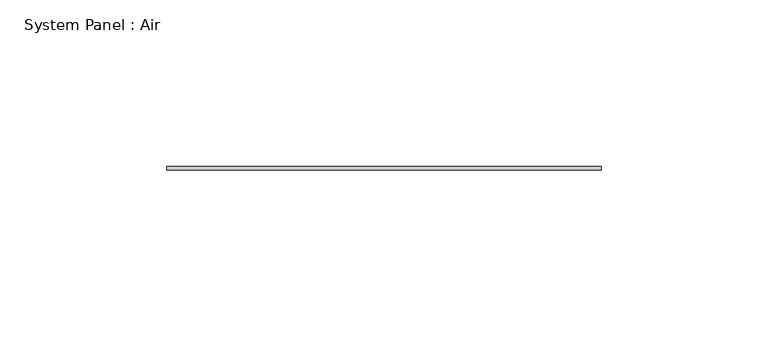
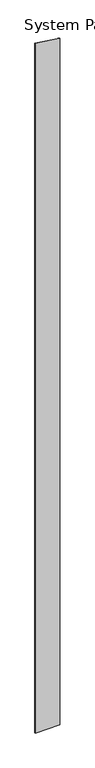
"""IFC4 building model written with IfcOpenShell, lengths in millimetres: plate geometry, System Panel : Air."""

from ifc_helpers import new_model, si_unit, frame, origin, place, context, project, spatial, polyline, outline, extrude, source, transform, mapped, element, save


def system_panel_air_2874334a(model_context):
    return source(origin(), model_context, "Body", "SweptSolid", [
        extrude(outline(polyline([(0.0, -65.0), (0.0, 65.0), (3808.0791987, 65.0), (3827.3347266, -65.0), (0.0, -65.0)])), frame((0.0, 36.5, 0.0), z_axis=(0.0, 1.0, 0.0), x_axis=(0.0, 0.0, 1.0)), (0.0, 0.0, 1.0), 1.0),
    ])


if __name__ == "__main__":
    model = new_model("IFC4")
    model_context = context("Model", 3, world=origin())
    ifc_project = project(units=[si_unit("LENGTHUNIT", "METRE", prefix="MILLI")], contexts=[model_context])
    site = spatial("IfcSite", under=ifc_project)
    building = spatial("IfcBuilding", under=site)
    placement = place(None, origin())
    system_panel_air_shape = system_panel_air_2874334a(model_context)
    element("IfcPlate", 1, ObjectType="System Panel : Air", at=placement, inside=building, context=model_context, shape_type="MappedRepresentation", body=[
        mapped(system_panel_air_shape, transform((0.0, 0.0, 0.0), x_axis=(1.0, 0.0, 0.0), y_axis=(0.0, 1.0, 0.0), z_axis=(0.0, 0.0, 1.0))),
    ])
    save(model, "model.ifc")
